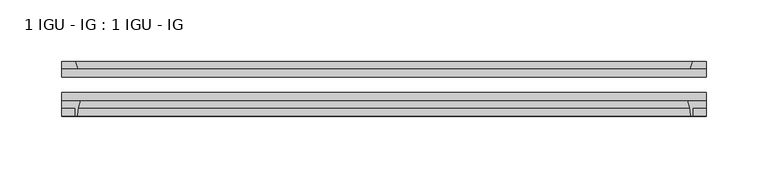
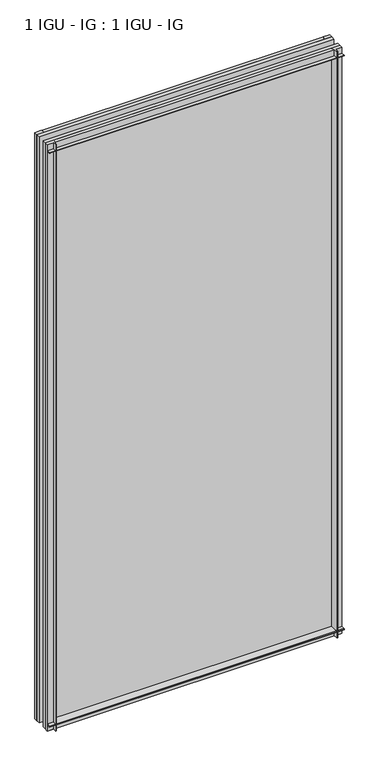
"""IFC4 building model written with IfcOpenShell, lengths in millimetres: plate geometry, 1 IGU - IG : 1 IGU - IG."""

from ifc_helpers import new_model, si_unit, point, frame, frame_2d, origin, place, context, project, spatial, polyline, circle_curve, trimmed, segment, composite_curve, outline, extrude, source, transform, mapped, element, save


def plate_1_igu_ig_1_igu_ig_3db3abc4(model_context):
    return source(origin(), model_context, "Body", "SweptSolid", [
        extrude(outline(polyline([(261.9375, -31.75), (261.9375, -38.1), (-261.9375, -38.1), (-261.9375, -31.75), (261.9375, -31.75)])), frame((0.0, 0.0, -11.1125), z_axis=(0.0, 0.0, 1.0), x_axis=(1.0, 0.0, 0.0)), (0.0, 0.0, 1.0), 1101.7245636),
        extrude(outline(polyline([(-261.9375, -12.7), (261.9375, -12.7), (261.9375, -19.05), (-261.9375, -19.05), (-261.9375, -12.7)])), frame((0.0, 0.0, -11.1125), z_axis=(0.0, 0.0, 1.0), x_axis=(1.0, 0.0, 0.0)), (0.0, 0.0, 1.0), 1101.7245636),
        extrude(outline(composite_curve([segment(polyline([(-261.9375, -38.1), (-246.6438207, -38.1)]), True, "CONTINUOUS"), segment(trimmed(circle_curve(frame_2d((-203.3848044, -53.3794536)), 45.8781451), [point((-246.6438207, -38.1))], [point((-249.1450572, -50.0925922))], True, "CARTESIAN"), True, "CONTINUOUS"), segment(trimmed(circle_curve(frame_2d((-249.9050991, -50.038)), 0.762), [point((-249.1450572, -50.0925922))], [point((-249.9050991, -50.8))], False, "CARTESIAN"), True, "CONTINUOUS"), segment(polyline([(-249.9050991, -50.8), (-250.825, -50.8), (-250.825, -44.45), (-261.9375, -44.45), (-261.9375, -38.1)]), True, "CONTINUOUS")], self_intersect=False)), frame((0.0, 0.0, -11.1125), z_axis=(0.0, 0.0, 1.0), x_axis=(1.0, 0.0, 0.0)), (0.0, 0.0, 1.0), 1101.7245636),
        extrude(outline(polyline([(-248.7197229, -12.7), (-261.9375, -12.7), (-261.9375, -6.35), (-250.825, -6.35), (-248.7197229, -12.7)])), frame((0.0, 0.0, -11.1125), z_axis=(0.0, 0.0, 1.0), x_axis=(1.0, 0.0, 0.0)), (0.0, 0.0, 1.0), 1101.7245636),
        extrude(outline(polyline([(261.9375, -12.7), (248.7197229, -12.7), (250.825, -6.35), (261.9375, -6.35), (261.9375, -12.7)])), frame((0.0, 0.0, -11.1125), z_axis=(0.0, 0.0, 1.0), x_axis=(1.0, 0.0, 0.0)), (0.0, 0.0, 1.0), 1101.7245636),
        extrude(outline(composite_curve([segment(polyline([(246.6438207, -38.1), (261.9375, -38.1), (261.9375, -44.45), (250.825, -44.45), (250.825, -50.8), (249.9050991, -50.8)]), True, "CONTINUOUS"), segment(trimmed(circle_curve(frame_2d((249.9050991, -50.038)), 0.762), [point((249.9050991, -50.8))], [point((249.1450572, -50.0925922))], False, "CARTESIAN"), True, "CONTINUOUS"), segment(trimmed(circle_curve(frame_2d((203.3848044, -53.3794536)), 45.8781451), [point((249.1450572, -50.0925922))], [point((246.6438207, -38.1))], True, "CARTESIAN"), True, "CONTINUOUS")], self_intersect=False)), frame((0.0, 0.0, -11.1125), z_axis=(0.0, 0.0, 1.0), x_axis=(1.0, 0.0, 0.0)), (0.0, 0.0, 1.0), 1101.7245636),
        extrude(outline(polyline([(-12.7, -11.1125), (-12.7, 2.1052771), (-6.35, 0.0), (-6.35, -11.1125), (-12.7, -11.1125)])), frame((-261.9375, 0.0, 0.0), z_axis=(1.0, 0.0, 0.0), x_axis=(0.0, 1.0, 0.0)), (0.0, 0.0, 1.0), 523.875),
        extrude(outline(composite_curve([segment(polyline([(-38.1, 4.1811793), (-38.1, -11.1125), (-44.45, -11.1125), (-44.45, 0.0), (-50.8, 0.0), (-50.8, 0.9199009)]), True, "CONTINUOUS"), segment(trimmed(circle_curve(frame_2d((-50.038, 0.9199009)), 0.762), [point((-50.8, 0.9199009))], [point((-50.0925922, 1.6799428))], False, "CARTESIAN"), True, "CONTINUOUS"), segment(trimmed(circle_curve(frame_2d((-53.3794536, 47.4401956)), 45.8781451), [point((-50.0925922, 1.6799428))], [point((-38.1, 4.1811793))], True, "CARTESIAN"), True, "CONTINUOUS")], self_intersect=False)), frame((-261.9375, 0.0, 0.0), z_axis=(1.0, 0.0, 0.0), x_axis=(0.0, 1.0, 0.0)), (0.0, 0.0, 1.0), 523.875),
        extrude(outline(polyline([(-6.35, 1079.4995636), (-12.7, 1077.3942865), (-12.7, 1090.6120636), (-6.35, 1090.6120636), (-6.35, 1079.4995636)])), frame((-261.9375, 0.0, 0.0), z_axis=(1.0, 0.0, 0.0), x_axis=(0.0, 1.0, 0.0)), (0.0, 0.0, 1.0), 523.875),
        extrude(outline(composite_curve([segment(polyline([(-38.1, 1090.6120636), (-38.1, 1075.3183843)]), True, "CONTINUOUS"), segment(trimmed(circle_curve(frame_2d((-53.3794536, 1032.059368)), 45.8781451), [point((-38.1, 1075.3183843))], [point((-50.0925922, 1077.8196208))], True, "CARTESIAN"), True, "CONTINUOUS"), segment(trimmed(circle_curve(frame_2d((-50.038, 1078.5796627)), 0.762), [point((-50.0925922, 1077.8196208))], [point((-50.8, 1078.5796627))], False, "CARTESIAN"), True, "CONTINUOUS"), segment(polyline([(-50.8, 1078.5796627), (-50.8, 1079.4995636), (-44.45, 1079.4995636), (-44.45, 1090.6120636), (-38.1, 1090.6120636)]), True, "CONTINUOUS")], self_intersect=False)), frame((-261.9375, 0.0, 0.0), z_axis=(1.0, 0.0, 0.0), x_axis=(0.0, 1.0, 0.0)), (0.0, 0.0, 1.0), 523.875),
    ])


if __name__ == "__main__":
    model = new_model("IFC4")
    model_context = context("Model", 3, world=origin())
    ifc_project = project(units=[si_unit("LENGTHUNIT", "METRE", prefix="MILLI")], contexts=[model_context])
    site = spatial("IfcSite", under=ifc_project)
    building = spatial("IfcBuilding", under=site)
    placement = place(None, origin())
    plate_1_igu_ig_1_igu_ig_shape = plate_1_igu_ig_1_igu_ig_3db3abc4(model_context)
    element("IfcPlate", 1, ObjectType="1 IGU - IG : 1 IGU - IG", at=placement, inside=building, context=model_context, shape_type="MappedRepresentation", body=[
        mapped(plate_1_igu_ig_1_igu_ig_shape, transform((0.0, 0.0, 0.0), x_axis=(1.0, 0.0, 0.0), y_axis=(0.0, 1.0, 0.0), z_axis=(0.0, 0.0, 1.0))),
    ])
    save(model, "model.ifc")
